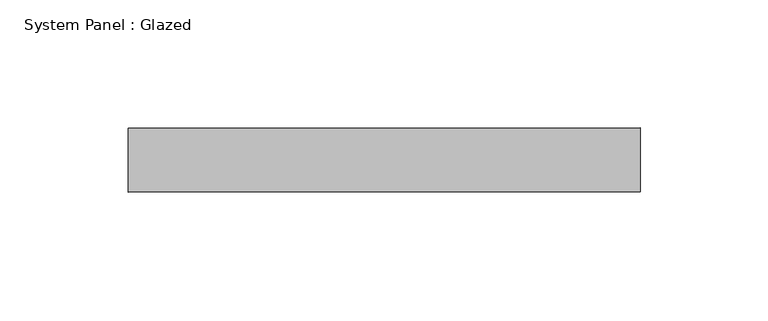
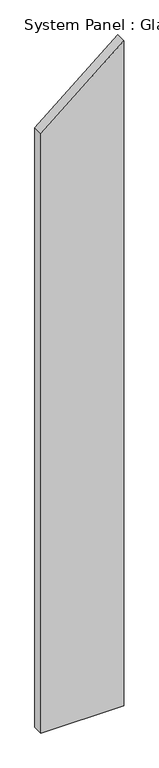
"""IFC4 building model written with IfcOpenShell, lengths in millimetres: plate geometry, System Panel : Glazed."""

from ifc_helpers import new_model, si_unit, frame, origin, place, context, project, spatial, polyline, outline, extrude, source, transform, mapped, element, save


def system_panel_glazed_5cb88987(model_context):
    return source(origin(), model_context, "Body", "SweptSolid", [
        extrude(outline(polyline([(0.0, -100.0), (0.0, 100.0), (1698.9579348, 100.0), (1531.1380086, -100.0), (0.0, -100.0)])), frame((0.0, 24.5, 0.0), z_axis=(0.0, 1.0, 0.0), x_axis=(0.0, 0.0, 1.0)), (0.0, 0.0, 1.0), 25.0),
    ])


if __name__ == "__main__":
    model = new_model("IFC4")
    model_context = context("Model", 3, world=origin())
    ifc_project = project(units=[si_unit("LENGTHUNIT", "METRE", prefix="MILLI")], contexts=[model_context])
    site = spatial("IfcSite", under=ifc_project)
    building = spatial("IfcBuilding", under=site)
    placement = place(None, origin())
    system_panel_glazed_shape = system_panel_glazed_5cb88987(model_context)
    element("IfcPlate", 1, ObjectType="System Panel : Glazed", at=placement, inside=building, context=model_context, shape_type="MappedRepresentation", body=[
        mapped(system_panel_glazed_shape, transform((0.0, 0.0, 0.0), x_axis=(1.0, 0.0, 0.0), y_axis=(0.0, 1.0, 0.0), z_axis=(0.0, 0.0, 1.0))),
    ])
    save(model, "model.ifc")
